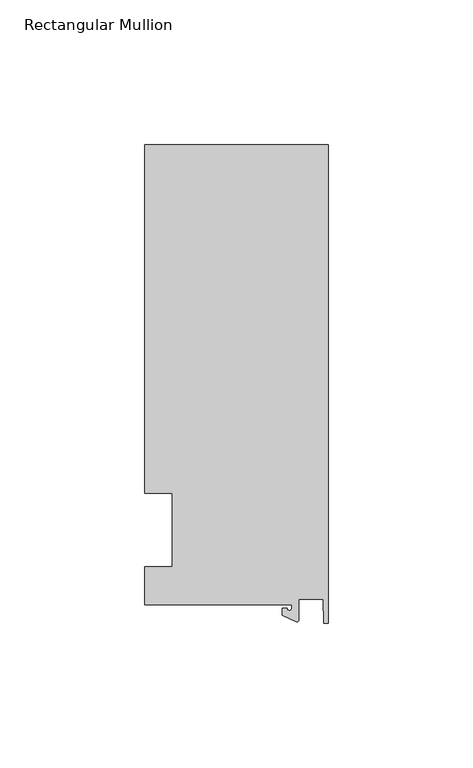
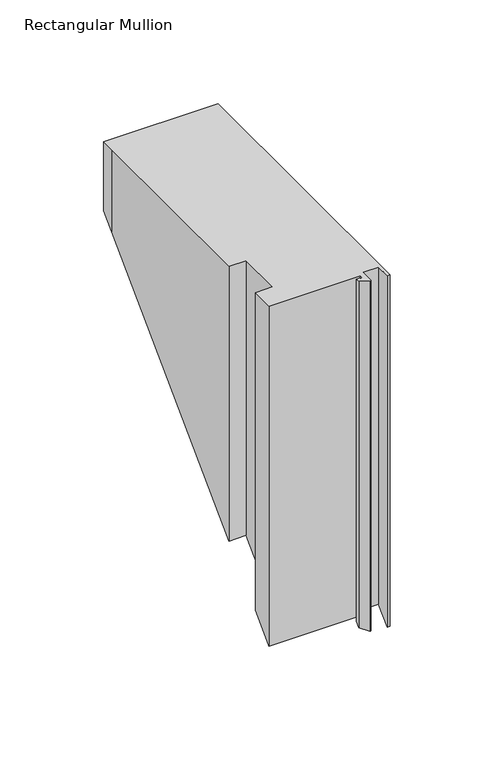
"""IFC4 building model written with IfcOpenShell, lengths in millimetres: member geometry, Rectangular Mullion."""

from ifc_helpers import new_model, si_unit, frame, origin, place, context, project, spatial, polyline, circle_curve, ellipse_curve, source, transform, mapped, element, save
from ifc_brep_helpers import plane_surface, cylinder_surface, revolved_surface, advanced_brep


def rectangular_mullion_c1167c58(model_context):
    return source(origin(), model_context, "Body", "AdvancedBrep", [
        advanced_brep(
        [(-12.6173814, -25.796875, 0.0), (-12.6173814, -27.0827507, 0.0), (-14.2048814, -27.0827507, 0.0), (-15.7923814, -27.0827507, 0.0), (-15.7923814, -29.44495, 0.0), (-10.9524715, -31.7018371, 0.0), (-10.2297814, -31.2414327, 0.0), (-10.2297814, -23.9227662, 0.0), (-1.7144124, -23.9227662, 0.0), (-1.5658966, -32.288874, 0.0), (0.0, -32.288874, 0.0), (0.0, 133.34365, 0.0), (-63.5, 133.34365, 0.0), (-63.5, 125.8114907, 0.0), (-63.5, 12.7, 0.0), (-53.975, 12.7, 0.0), (-53.975, -12.7, 0.0), (-63.5, -12.7, 0.0), (-63.5, -25.796875, 0.0), (-12.6173814, -25.796875, -199.780462), (-12.6173814, -27.0827507, -201.0663377), (-14.2048814, -27.0827507, -201.0663377), (-15.7923814, -27.0827507, -201.0663377), (-15.7923814, -29.44495, -203.428537), (-10.9524715, -31.7018371, -205.6854241), (-10.2297814, -31.2414327, -205.2250197), (-10.2297814, -23.9227662, -197.9063533), (-1.7144124, -23.9227662, -197.9063533), (-1.5658966, -32.288874, -206.272461), (0.0, -32.288874, -206.272461), (0.0, 133.34365, -40.639937), (-63.5, 133.34365, -40.639937), (-63.5, 125.8114907, -48.1720963), (-63.5, 12.7, -161.283587), (-53.975, 12.7, -161.283587), (-53.975, -12.7, -186.683587), (-63.5, -12.7, -186.683587), (-63.5, -25.796875, -199.780462)],
        [
            (0, 1),
            (1, 2, circle_curve(frame((-13.4111314, -27.0827507, 0.0), z_axis=(0.0, 0.0, -1.0), x_axis=(-1.0, 0.0, 0.0)), 0.79375)),
            (2, 3),
            (3, 4),
            (4, 5),
            (5, 6, circle_curve(frame((-10.7377814, -31.2414327, 0.0), z_axis=(0.0, 0.0, 1.0), x_axis=(-1.0, 0.0, 0.0)), 0.508)),
            (6, 7),
            (7, 8),
            (8, 9),
            (9, 10),
            (10, 11),
            (11, 12),
            (12, 13),
            (13, 14),
            (14, 15),
            (15, 16),
            (16, 17),
            (17, 18),
            (18, 0),
            (0, 19),
            (19, 20),
            (20, 1),
            (20, 21, ellipse_curve(frame((-13.4111314, -27.0827507, -201.0663377), z_axis=(0.0, 0.7071067811865498, -0.7071067811865454), x_axis=(0.0, -0.7071067811865454, -0.7071067811865497)), 1.122532, 0.79375)),
            (21, 2),
            (21, 22),
            (22, 3),
            (22, 23),
            (23, 4),
            (23, 24),
            (24, 5),
            (24, 25, ellipse_curve(frame((-10.7377814, -31.2414327, -205.2250197), z_axis=(0.0, -0.7071067811865498, 0.7071067811865454), x_axis=(0.0, 0.7071067811865454, 0.7071067811865497)), 0.7184205, 0.508)),
            (25, 6),
            (25, 26),
            (26, 7),
            (26, 27),
            (27, 8),
            (27, 28),
            (28, 9),
            (28, 29),
            (29, 10),
            (29, 30),
            (30, 11),
            (30, 31),
            (31, 12),
            (31, 32),
            (32, 13),
            (32, 33),
            (33, 14),
            (33, 34),
            (34, 15),
            (34, 35),
            (35, 16),
            (35, 36),
            (36, 17),
            (36, 37),
            (37, 18),
            (37, 19),
        ],
        [
            plane_surface(frame((0.0, -147.6914994, 0.0), z_axis=(0.0, 0.0, 1.0), x_axis=(-1.0, 0.0, 0.0))),
            plane_surface(frame((-12.6173814, -25.796875, 0.0), z_axis=(-1.0, 0.0, 0.0), x_axis=(0.0, 0.0, -1.0))),
            revolved_surface(polyline([(-14.2048814, -27.0827507, -201.8600876892989), (-14.2048814, -27.0827507, 0.0)]), (-13.4111314, -27.0827507, 0.0), (0.0, 0.0, -1.0)),
            plane_surface(frame((-14.2048814, -27.0827507, 0.0), z_axis=(0.0, 1.0, 0.0), x_axis=(0.0, 0.0, -1.0))),
            plane_surface(frame((-15.7923814, -27.0827507, 0.0), z_axis=(-1.0, 0.0, 0.0), x_axis=(0.0, 0.0, -1.0))),
            plane_surface(frame((-15.7923814, -29.44495, 0.0), z_axis=(-0.4226182617406985, -0.9063077870366505, 0.0), x_axis=(0.0, 0.0, -1.0))),
            cylinder_surface(frame((-10.7377814, -31.2414327, 0.0), z_axis=(0.0, 0.0, 1.0), x_axis=(-1.0, 0.0, 0.0)), 0.508),
            plane_surface(frame((-10.2297814, -31.2414327, 0.0), z_axis=(1.0, 0.0, 0.0), x_axis=(0.0, 0.0, -1.0))),
            plane_surface(frame((-10.2297814, -23.9227662, 0.0), z_axis=(0.0, -1.0, 0.0), x_axis=(0.0, 0.0, -1.0))),
            plane_surface(frame((-1.7144124, -23.9227662, 0.0), z_axis=(-0.9998424690407919, -0.017749284560600327, 0.0), x_axis=(0.0, 0.0, -1.0))),
            plane_surface(frame((-1.5658966, -32.288874, 0.0), z_axis=(0.0, -1.0, 0.0), x_axis=(0.0, 0.0, -1.0))),
            plane_surface(frame((0.0, -32.288874, 0.0), z_axis=(1.0, 0.0, 0.0), x_axis=(0.0, 0.0, -1.0))),
            plane_surface(frame((0.0, 133.34365, 0.0), z_axis=(0.0, 1.0, 0.0), x_axis=(0.0, 0.0, -1.0))),
            plane_surface(frame((-63.5, 133.34365, 0.0), z_axis=(-1.0, 0.0, 0.0), x_axis=(0.0, 0.0, -1.0))),
            plane_surface(frame((-63.5, 125.8114907, 0.0), z_axis=(-1.0, 0.0, 0.0), x_axis=(0.0, 0.0, -1.0))),
            plane_surface(frame((-63.5, 12.7, 0.0), z_axis=(0.0, -1.0, 0.0), x_axis=(0.0, 0.0, -1.0))),
            plane_surface(frame((-53.975, 12.7, 0.0), z_axis=(-1.0, 0.0, 0.0), x_axis=(0.0, 0.0, -1.0))),
            plane_surface(frame((-53.975, -12.7, 0.0), z_axis=(0.0, 1.0, 0.0), x_axis=(0.0, 0.0, -1.0))),
            plane_surface(frame((-63.5, -12.7, 0.0), z_axis=(-1.0, 0.0, 0.0), x_axis=(0.0, 0.0, -1.0))),
            plane_surface(frame((-63.5, -25.796875, 0.0), z_axis=(0.0, -1.0, 0.0), x_axis=(0.0, 0.0, -1.0))),
            plane_surface(frame((-304.8, 0.0, -173.983587), z_axis=(0.0, 0.7071067811865498, -0.7071067811865454), x_axis=(0.0, 0.7071067811865454, 0.7071067811865498))),
        ],
        [
            (0, [[1, 2, 3, 4, 5, 6, 7, 8, 9, 10, 11, 12, 13, 14, 15, 16, 17, 18, 19]]),
            (1, [[-1, 20, 21, 22]]),
            (2, [[-2, -22, 23, 24]]),
            (3, [[-3, -24, 25, 26]]),
            (4, [[-4, -26, 27, 28]]),
            (5, [[-5, -28, 29, 30]]),
            (6, [[-6, -30, 31, 32]]),
            (7, [[-7, -32, 33, 34]]),
            (8, [[-8, -34, 35, 36]]),
            (9, [[-9, -36, 37, 38]]),
            (10, [[-10, -38, 39, 40]]),
            (11, [[-11, -40, 41, 42]]),
            (12, [[-12, -42, 43, 44]]),
            (13, [[-13, -44, 45, 46]]),
            (14, [[-14, -46, 47, 48]]),
            (15, [[-15, -48, 49, 50]]),
            (16, [[-16, -50, 51, 52]]),
            (17, [[-17, -52, 53, 54]]),
            (18, [[-18, -54, 55, 56]]),
            (19, [[-19, -56, 57, -20]]),
            (20, [[-57, -55, -53, -51, -49, -47, -45, -43, -41, -39, -37, -35, -33, -31, -29, -27, -25, -23, -21]]),
        ],
    ),
    ])


if __name__ == "__main__":
    model = new_model("IFC4")
    model_context = context("Model", 3, world=origin())
    ifc_project = project(units=[si_unit("LENGTHUNIT", "METRE", prefix="MILLI")], contexts=[model_context])
    site = spatial("IfcSite", under=ifc_project)
    building = spatial("IfcBuilding", under=site)
    placement = place(None, origin())
    rectangular_mullion_shape = rectangular_mullion_c1167c58(model_context)
    element("IfcMember", 1, ObjectType="Rectangular Mullion", at=placement, inside=building, context=model_context, shape_type="MappedRepresentation", body=[
        mapped(rectangular_mullion_shape, transform((0.0, 0.0, 0.0), x_axis=(1.0, 0.0, 0.0), y_axis=(0.0, 1.0, 0.0), z_axis=(0.0, 0.0, 1.0))),
    ])
    save(model, "model.ifc")
